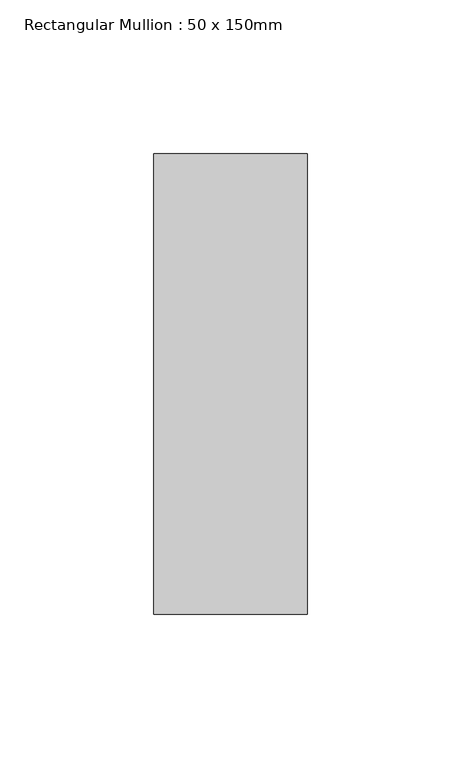
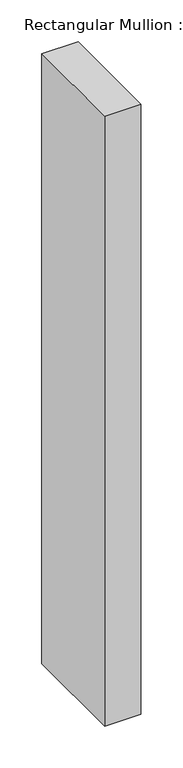
"""IFC4 building model written with IfcOpenShell, lengths in millimetres: member geometry, Rectangular Mullion : 50 x 150mm."""

from ifc_helpers import new_model, si_unit, frame, origin, place, context, project, spatial, polyline, outline, extrude, source, transform, mapped, element, save


def rectangular_mullion_50_x_150mm_b762d010(model_context):
    return source(origin(), model_context, "Body", "SweptSolid", [
        extrude(outline(polyline([(25.0, 75.0), (25.0, -75.0), (-25.0, -75.0), (-25.0, 75.0), (25.0, 75.0)])), frame((0.0, 0.0, -890.9317734), z_axis=(0.0, 0.0, 1.0), x_axis=(1.0, 0.0, 0.0)), (0.0, 0.0, 1.0), 890.9317734),
    ])


if __name__ == "__main__":
    model = new_model("IFC4")
    model_context = context("Model", 3, world=origin())
    ifc_project = project(units=[si_unit("LENGTHUNIT", "METRE", prefix="MILLI")], contexts=[model_context])
    site = spatial("IfcSite", under=ifc_project)
    building = spatial("IfcBuilding", under=site)
    placement = place(None, origin())
    rectangular_mullion_50_x_150mm_shape = rectangular_mullion_50_x_150mm_b762d010(model_context)
    element("IfcMember", 1, ObjectType="Rectangular Mullion : 50 x 150mm", at=placement, inside=building, context=model_context, shape_type="MappedRepresentation", body=[
        mapped(rectangular_mullion_50_x_150mm_shape, transform((0.0, 0.0, 0.0), x_axis=(1.0, 0.0, 0.0), y_axis=(0.0, 1.0, 0.0), z_axis=(0.0, 0.0, 1.0))),
    ])
    save(model, "model.ifc")
